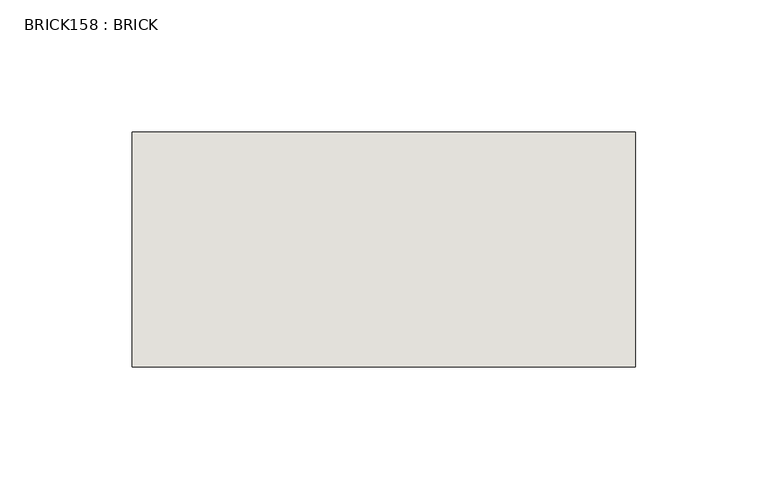
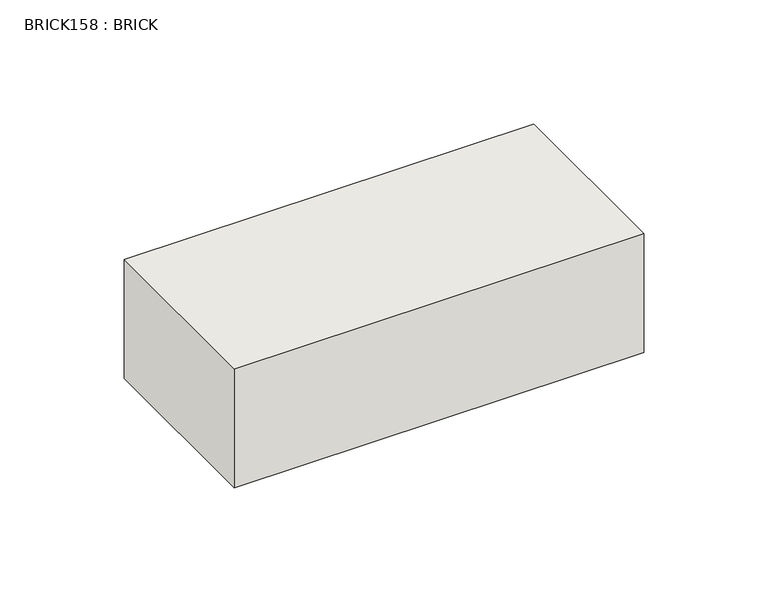
"""IFC4 building model written with IfcOpenShell, lengths in millimetres: wall geometry, BRICK158 : BRICK."""

from ifc_helpers import new_model, si_unit, frame, origin, place, context, project, spatial, polyline, outline, extrude, source, transform, mapped, element, save


def brick158_brick_1f20519c(model_context):
    return source(origin(), model_context, "Body", "SweptSolid", [
        extrude(outline(polyline([(-283.8727406, 2586.2274125), (-93.3727406, 2586.2274125), (-93.3727406, 2497.3274125), (-283.8727406, 2497.3274125), (-283.8727406, 2586.2274125)])), frame((0.0, 0.0, 283.5671875), z_axis=(0.0, 0.0, 1.0), x_axis=(1.0, 0.0, 0.0)), (0.0, 0.0, 1.0), 58.4398437),
    ])


if __name__ == "__main__":
    model = new_model("IFC4")
    model_context = context("Model", 3, world=origin())
    ifc_project = project(units=[si_unit("LENGTHUNIT", "METRE", prefix="MILLI")], contexts=[model_context])
    site = spatial("IfcSite", under=ifc_project)
    building = spatial("IfcBuilding", under=site)
    placement = place(None, origin())
    brick158_brick_shape = brick158_brick_1f20519c(model_context)
    element("IfcWall", 1, ObjectType="BRICK158 : BRICK", at=placement, inside=building, context=model_context, shape_type="MappedRepresentation", body=[
        mapped(brick158_brick_shape, transform((0.0, 0.0, 0.0), x_axis=(1.0, 0.0, 0.0), y_axis=(0.0, 1.0, 0.0), z_axis=(0.0, 0.0, 1.0))),
    ])
    save(model, "model.ifc")
